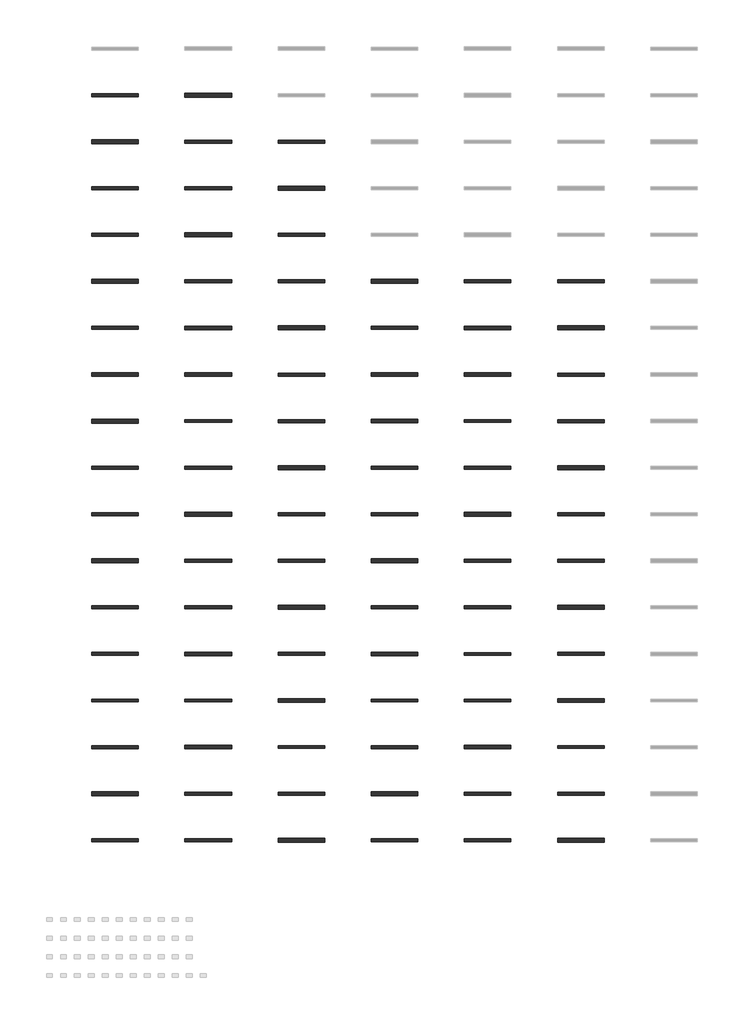
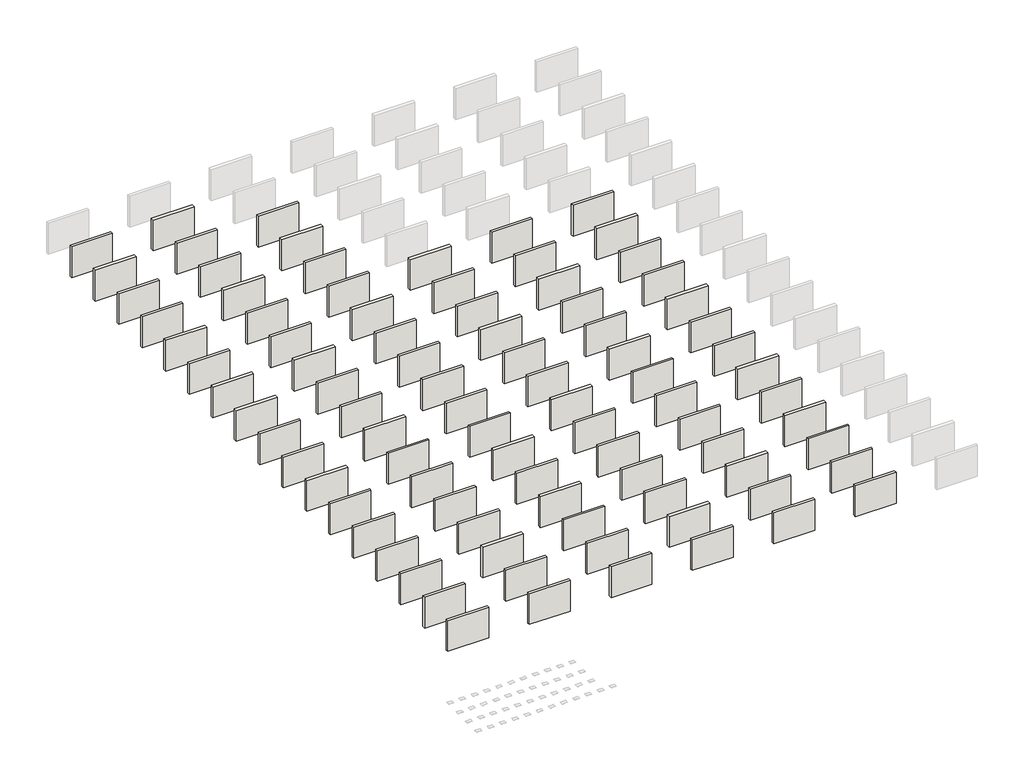
# One storey, part 1 of 3: 89 walls.
"""IFC4 building model written with IfcOpenShell, lengths in millimetres."""

from ifc_helpers import new_model, si_unit, frame, origin, place, context, project, spatial, polyline, outline, extrude, element, save

model = new_model("IFC4")

# Units and contexts
model_context = context("Model", 3, world=origin())
ifc_project = project(units=[si_unit("LENGTHUNIT", "METRE", prefix="MILLI")], contexts=[model_context])

# Site, building, storey
site = spatial("IfcSite", under=ifc_project)
building = spatial("IfcBuilding", under=site)
storey = spatial("IfcBuildingStorey", under=building, Elevation=3048.0)

# Walls
placement = place(None, origin())
element("IfcWall", 1, at=placement, inside=storey, context=model_context, shape_type="SweptSolid", body=[
    extrude(outline(polyline([(-29485.7977715, -38058.8693116), (-32533.7977715, -38058.8693116), (-32533.7977715, -37852.4435103), (-29485.7977715, -37852.4435103), (-29485.7977715, -38058.8693116)])), frame((0.0, 0.0, 3048.0), z_axis=(0.0, 0.0, 1.0), x_axis=(1.0, 0.0, 0.0)), (0.0, 0.0, 1.0), 2438.4),
])
element("IfcWall", 2, at=placement, inside=storey, context=model_context, shape_type="SweptSolid", body=[
    extrude(outline(polyline([(-23389.7977715, -38084.2693147), (-26437.7977715, -38084.2693147), (-26437.7977715, -37827.0435073), (-23389.7977715, -37827.0435073), (-23389.7977715, -38084.2693147)])), frame((0.0, 0.0, 3048.0), z_axis=(0.0, 0.0, 1.0), x_axis=(1.0, 0.0, 0.0)), (0.0, 0.0, 1.0), 2438.4),
])
element("IfcWall", 3, at=placement, inside=storey, context=model_context, shape_type="SweptSolid", body=[
    extrude(outline(polyline([(-17293.7977715, -41106.8693116), (-20341.7977715, -41106.8693116), (-20341.7977715, -40900.4435103), (-17293.7977715, -40900.4435103), (-17293.7977715, -41106.8693116)])), frame((0.0, 0.0, 3048.0), z_axis=(0.0, 0.0, 1.0), x_axis=(1.0, 0.0, 0.0)), (0.0, 0.0, 1.0), 2438.4),
])
element("IfcWall", 4, at=placement, inside=storey, context=model_context, shape_type="SweptSolid", body=[
    extrude(outline(polyline([(-29485.7977715, -41132.2693147), (-32533.7977715, -41132.2693147), (-32533.7977715, -40875.0435073), (-29485.7977715, -40875.0435073), (-29485.7977715, -41132.2693147)])), frame((0.0, 0.0, 3048.0), z_axis=(0.0, 0.0, 1.0), x_axis=(1.0, 0.0, 0.0)), (0.0, 0.0, 1.0), 2438.4),
])
element("IfcWall", 5, at=placement, inside=storey, context=model_context, shape_type="SweptSolid", body=[
    extrude(outline(polyline([(-23389.7977715, -41102.1068116), (-26437.7977715, -41102.1068116), (-26437.7977715, -40905.2060103), (-23389.7977715, -40905.2060103), (-23389.7977715, -41102.1068116)])), frame((0.0, 0.0, 3048.0), z_axis=(0.0, 0.0, 1.0), x_axis=(1.0, 0.0, 0.0)), (0.0, 0.0, 1.0), 2438.4),
])
element("IfcWall", 6, at=placement, inside=storey, context=model_context, shape_type="SweptSolid", body=[
    extrude(outline(polyline([(-17293.7977715, -44180.2693147), (-20341.7977715, -44180.2693147), (-20341.7977715, -43923.0435073), (-17293.7977715, -43923.0435073), (-17293.7977715, -44180.2693147)])), frame((0.0, 0.0, 3048.0), z_axis=(0.0, 0.0, 1.0), x_axis=(1.0, 0.0, 0.0)), (0.0, 0.0, 1.0), 2438.4),
])
element("IfcWall", 7, at=placement, inside=storey, context=model_context, shape_type="SweptSolid", body=[
    extrude(outline(polyline([(-29485.7977715, -44150.1068116), (-32533.7977715, -44150.1068116), (-32533.7977715, -43953.2060103), (-29485.7977715, -43953.2060103), (-29485.7977715, -44150.1068116)])), frame((0.0, 0.0, 3048.0), z_axis=(0.0, 0.0, 1.0), x_axis=(1.0, 0.0, 0.0)), (0.0, 0.0, 1.0), 2438.4),
])
element("IfcWall", 8, at=placement, inside=storey, context=model_context, shape_type="SweptSolid", body=[
    extrude(outline(polyline([(-23389.7977715, -44154.8693116), (-26437.7977715, -44154.8693116), (-26437.7977715, -43948.4435103), (-23389.7977715, -43948.4435103), (-23389.7977715, -44154.8693116)])), frame((0.0, 0.0, 3048.0), z_axis=(0.0, 0.0, 1.0), x_axis=(1.0, 0.0, 0.0)), (0.0, 0.0, 1.0), 2438.4),
])
element("IfcWall", 9, at=placement, inside=storey, context=model_context, shape_type="SweptSolid", body=[
    extrude(outline(polyline([(-17293.7977715, -47198.1068116), (-20341.7977715, -47198.1068116), (-20341.7977715, -47001.2060103), (-17293.7977715, -47001.2060103), (-17293.7977715, -47198.1068116)])), frame((0.0, 0.0, 3048.0), z_axis=(0.0, 0.0, 1.0), x_axis=(1.0, 0.0, 0.0)), (0.0, 0.0, 1.0), 2438.4),
])
element("IfcWall", 10, at=placement, inside=storey, context=model_context, shape_type="SweptSolid", body=[
    extrude(outline(polyline([(-29485.7977715, -47202.8693116), (-32533.7977715, -47202.8693116), (-32533.7977715, -46996.4435103), (-29485.7977715, -46996.4435103), (-29485.7977715, -47202.8693116)])), frame((0.0, 0.0, 3048.0), z_axis=(0.0, 0.0, 1.0), x_axis=(1.0, 0.0, 0.0)), (0.0, 0.0, 1.0), 2438.4),
])
element("IfcWall", 11, at=placement, inside=storey, context=model_context, shape_type="SweptSolid", body=[
    extrude(outline(polyline([(-23389.7977715, -47228.2693147), (-26437.7977715, -47228.2693147), (-26437.7977715, -46971.0435073), (-23389.7977715, -46971.0435073), (-23389.7977715, -47228.2693147)])), frame((0.0, 0.0, 3048.0), z_axis=(0.0, 0.0, 1.0), x_axis=(1.0, 0.0, 0.0)), (0.0, 0.0, 1.0), 2438.4),
])
element("IfcWall", 12, at=placement, inside=storey, context=model_context, shape_type="SweptSolid", body=[
    extrude(outline(polyline([(-17293.7977715, -50250.8693116), (-20341.7977715, -50250.8693116), (-20341.7977715, -50044.4435103), (-17293.7977715, -50044.4435103), (-17293.7977715, -50250.8693116)])), frame((0.0, 0.0, 3048.0), z_axis=(0.0, 0.0, 1.0), x_axis=(1.0, 0.0, 0.0)), (0.0, 0.0, 1.0), 2438.4),
])
element("IfcWall", 13, at=placement, inside=storey, context=model_context, shape_type="SweptSolid", body=[
    extrude(outline(polyline([(-11197.7977715, -50276.2693147), (-14245.7977715, -50276.2693147), (-14245.7977715, -50019.0435073), (-11197.7977715, -50019.0435073), (-11197.7977715, -50276.2693147)])), frame((0.0, 0.0, 3048.0), z_axis=(0.0, 0.0, 1.0), x_axis=(1.0, 0.0, 0.0)), (0.0, 0.0, 1.0), 2438.4),
])
element("IfcWall", 14, at=placement, inside=storey, context=model_context, shape_type="SweptSolid", body=[
    extrude(outline(polyline([(-5101.7977715, -50246.1068116), (-8149.7977715, -50246.1068116), (-8149.7977715, -50049.2060103), (-5101.7977715, -50049.2060103), (-5101.7977715, -50246.1068116)])), frame((0.0, 0.0, 3048.0), z_axis=(0.0, 0.0, 1.0), x_axis=(1.0, 0.0, 0.0)), (0.0, 0.0, 1.0), 2438.4),
])
element("IfcWall", 15, at=placement, inside=storey, context=model_context, shape_type="SweptSolid", body=[
    extrude(outline(polyline([(994.2022285, -50250.8693116), (-2053.7977715, -50250.8693116), (-2053.7977715, -50044.4435103), (994.2022285, -50044.4435103), (994.2022285, -50250.8693116)])), frame((0.0, 0.0, 3048.0), z_axis=(0.0, 0.0, 1.0), x_axis=(1.0, 0.0, 0.0)), (0.0, 0.0, 1.0), 2438.4),
])
element("IfcWall", 16, at=placement, inside=storey, context=model_context, shape_type="SweptSolid", body=[
    extrude(outline(polyline([(-29485.7977715, -50276.2693147), (-32533.7977715, -50276.2693147), (-32533.7977715, -50019.0435073), (-29485.7977715, -50019.0435073), (-29485.7977715, -50276.2693147)])), frame((0.0, 0.0, 3048.0), z_axis=(0.0, 0.0, 1.0), x_axis=(1.0, 0.0, 0.0)), (0.0, 0.0, 1.0), 2438.4),
])
element("IfcWall", 17, at=placement, inside=storey, context=model_context, shape_type="SweptSolid", body=[
    extrude(outline(polyline([(-23389.7977715, -50246.1068116), (-26437.7977715, -50246.1068116), (-26437.7977715, -50049.2060103), (-23389.7977715, -50049.2060103), (-23389.7977715, -50246.1068116)])), frame((0.0, 0.0, 3048.0), z_axis=(0.0, 0.0, 1.0), x_axis=(1.0, 0.0, 0.0)), (0.0, 0.0, 1.0), 2438.4),
])
element("IfcWall", 18, at=placement, inside=storey, context=model_context, shape_type="SweptSolid", body=[
    extrude(outline(polyline([(-17293.7977715, -53324.2693147), (-20341.7977715, -53324.2693147), (-20341.7977715, -53067.0435073), (-17293.7977715, -53067.0435073), (-17293.7977715, -53324.2693147)])), frame((0.0, 0.0, 3048.0), z_axis=(0.0, 0.0, 1.0), x_axis=(1.0, 0.0, 0.0)), (0.0, 0.0, 1.0), 2438.4),
])
element("IfcWall", 19, at=placement, inside=storey, context=model_context, shape_type="SweptSolid", body=[
    extrude(outline(polyline([(-11197.7977715, -53294.1068116), (-14245.7977715, -53294.1068116), (-14245.7977715, -53097.2060103), (-11197.7977715, -53097.2060103), (-11197.7977715, -53294.1068116)])), frame((0.0, 0.0, 3048.0), z_axis=(0.0, 0.0, 1.0), x_axis=(1.0, 0.0, 0.0)), (0.0, 0.0, 1.0), 2438.4),
])
element("IfcWall", 20, at=placement, inside=storey, context=model_context, shape_type="SweptSolid", body=[
    extrude(outline(polyline([(-5101.7977715, -53298.8693116), (-8149.7977715, -53298.8693116), (-8149.7977715, -53092.4435103), (-5101.7977715, -53092.4435103), (-5101.7977715, -53298.8693116)])), frame((0.0, 0.0, 3048.0), z_axis=(0.0, 0.0, 1.0), x_axis=(1.0, 0.0, 0.0)), (0.0, 0.0, 1.0), 2438.4),
])
element("IfcWall", 21, at=placement, inside=storey, context=model_context, shape_type="SweptSolid", body=[
    extrude(outline(polyline([(994.2022285, -53324.2693147), (-2053.7977715, -53324.2693147), (-2053.7977715, -53067.0435073), (994.2022285, -53067.0435073), (994.2022285, -53324.2693147)])), frame((0.0, 0.0, 3048.0), z_axis=(0.0, 0.0, 1.0), x_axis=(1.0, 0.0, 0.0)), (0.0, 0.0, 1.0), 2438.4),
])
element("IfcWall", 22, at=placement, inside=storey, context=model_context, shape_type="SweptSolid", body=[
    extrude(outline(polyline([(-29485.7977715, -53294.1068116), (-32533.7977715, -53294.1068116), (-32533.7977715, -53097.2060103), (-29485.7977715, -53097.2060103), (-29485.7977715, -53294.1068116)])), frame((0.0, 0.0, 3048.0), z_axis=(0.0, 0.0, 1.0), x_axis=(1.0, 0.0, 0.0)), (0.0, 0.0, 1.0), 2438.4),
])
element("IfcWall", 23, at=placement, inside=storey, context=model_context, shape_type="SweptSolid", body=[
    extrude(outline(polyline([(-23389.7977715, -53298.8693116), (-26437.7977715, -53298.8693116), (-26437.7977715, -53092.4435103), (-23389.7977715, -53092.4435103), (-23389.7977715, -53298.8693116)])), frame((0.0, 0.0, 3048.0), z_axis=(0.0, 0.0, 1.0), x_axis=(1.0, 0.0, 0.0)), (0.0, 0.0, 1.0), 2438.4),
])
element("IfcWall", 24, at=placement, inside=storey, context=model_context, shape_type="SweptSolid", body=[
    extrude(outline(polyline([(-17293.7977715, -56342.1068116), (-20341.7977715, -56342.1068116), (-20341.7977715, -56145.2060103), (-17293.7977715, -56145.2060103), (-17293.7977715, -56342.1068116)])), frame((0.0, 0.0, 3048.0), z_axis=(0.0, 0.0, 1.0), x_axis=(1.0, 0.0, 0.0)), (0.0, 0.0, 1.0), 2438.4),
])
element("IfcWall", 25, at=placement, inside=storey, context=model_context, shape_type="SweptSolid", body=[
    extrude(outline(polyline([(-11197.7977715, -56346.8693116), (-14245.7977715, -56346.8693116), (-14245.7977715, -56140.4435103), (-11197.7977715, -56140.4435103), (-11197.7977715, -56346.8693116)])), frame((0.0, 0.0, 3048.0), z_axis=(0.0, 0.0, 1.0), x_axis=(1.0, 0.0, 0.0)), (0.0, 0.0, 1.0), 2438.4),
])
element("IfcWall", 26, at=placement, inside=storey, context=model_context, shape_type="SweptSolid", body=[
    extrude(outline(polyline([(-5101.7977715, -56372.2693147), (-8149.7977715, -56372.2693147), (-8149.7977715, -56115.0435073), (-5101.7977715, -56115.0435073), (-5101.7977715, -56372.2693147)])), frame((0.0, 0.0, 3048.0), z_axis=(0.0, 0.0, 1.0), x_axis=(1.0, 0.0, 0.0)), (0.0, 0.0, 1.0), 2438.4),
])
element("IfcWall", 27, at=placement, inside=storey, context=model_context, shape_type="SweptSolid", body=[
    extrude(outline(polyline([(994.2022285, -56342.1068116), (-2053.7977715, -56342.1068116), (-2053.7977715, -56145.2060103), (994.2022285, -56145.2060103), (994.2022285, -56342.1068116)])), frame((0.0, 0.0, 3048.0), z_axis=(0.0, 0.0, 1.0), x_axis=(1.0, 0.0, 0.0)), (0.0, 0.0, 1.0), 2438.4),
])
element("IfcWall", 28, at=placement, inside=storey, context=model_context, shape_type="SweptSolid", body=[
    extrude(outline(polyline([(-29485.7977715, -56346.8693116), (-32533.7977715, -56346.8693116), (-32533.7977715, -56140.4435103), (-29485.7977715, -56140.4435103), (-29485.7977715, -56346.8693116)])), frame((0.0, 0.0, 3048.0), z_axis=(0.0, 0.0, 1.0), x_axis=(1.0, 0.0, 0.0)), (0.0, 0.0, 1.0), 2438.4),
])
element("IfcWall", 29, at=placement, inside=storey, context=model_context, shape_type="SweptSolid", body=[
    extrude(outline(polyline([(-23389.7977715, -56372.2693147), (-26437.7977715, -56372.2693147), (-26437.7977715, -56115.0435073), (-23389.7977715, -56115.0435073), (-23389.7977715, -56372.2693147)])), frame((0.0, 0.0, 3048.0), z_axis=(0.0, 0.0, 1.0), x_axis=(1.0, 0.0, 0.0)), (0.0, 0.0, 1.0), 2438.4),
])
element("IfcWall", 30, at=placement, inside=storey, context=model_context, shape_type="SweptSolid", body=[
    extrude(outline(polyline([(-17293.7977715, -59388.4939116), (-20341.7977715, -59388.4939116), (-20341.7977715, -59194.8189104), (-17293.7977715, -59194.8189104), (-17293.7977715, -59388.4939116)])), frame((0.0, 0.0, 3048.0), z_axis=(0.0, 0.0, 1.0), x_axis=(1.0, 0.0, 0.0)), (0.0, 0.0, 1.0), 2438.4),
])
element("IfcWall", 31, at=placement, inside=storey, context=model_context, shape_type="SweptSolid", body=[
    extrude(outline(polyline([(-11197.7977715, -59413.8939146), (-14245.7977715, -59413.8939146), (-14245.7977715, -59169.4189073), (-11197.7977715, -59169.4189073), (-11197.7977715, -59413.8939146)])), frame((0.0, 0.0, 3048.0), z_axis=(0.0, 0.0, 1.0), x_axis=(1.0, 0.0, 0.0)), (0.0, 0.0, 1.0), 2438.4),
])
element("IfcWall", 32, at=placement, inside=storey, context=model_context, shape_type="SweptSolid", body=[
    extrude(outline(polyline([(-5101.7977715, -59383.7314116), (-8149.7977715, -59383.7314116), (-8149.7977715, -59199.5814104), (-5101.7977715, -59199.5814104), (-5101.7977715, -59383.7314116)])), frame((0.0, 0.0, 3048.0), z_axis=(0.0, 0.0, 1.0), x_axis=(1.0, 0.0, 0.0)), (0.0, 0.0, 1.0), 2438.4),
])
element("IfcWall", 33, at=placement, inside=storey, context=model_context, shape_type="SweptSolid", body=[
    extrude(outline(polyline([(994.2022285, -59388.4939116), (-2053.7977715, -59388.4939116), (-2053.7977715, -59194.8189104), (994.2022285, -59194.8189104), (994.2022285, -59388.4939116)])), frame((0.0, 0.0, 3048.0), z_axis=(0.0, 0.0, 1.0), x_axis=(1.0, 0.0, 0.0)), (0.0, 0.0, 1.0), 2438.4),
])
element("IfcWall", 34, at=placement, inside=storey, context=model_context, shape_type="SweptSolid", body=[
    extrude(outline(polyline([(-29485.7977715, -59420.2693147), (-32533.7977715, -59420.2693147), (-32533.7977715, -59163.0435073), (-29485.7977715, -59163.0435073), (-29485.7977715, -59420.2693147)])), frame((0.0, 0.0, 3048.0), z_axis=(0.0, 0.0, 1.0), x_axis=(1.0, 0.0, 0.0)), (0.0, 0.0, 1.0), 2438.4),
])
element("IfcWall", 35, at=placement, inside=storey, context=model_context, shape_type="SweptSolid", body=[
    extrude(outline(polyline([(-23389.7977715, -59383.7314116), (-26437.7977715, -59383.7314116), (-26437.7977715, -59199.5814104), (-23389.7977715, -59199.5814104), (-23389.7977715, -59383.7314116)])), frame((0.0, 0.0, 3048.0), z_axis=(0.0, 0.0, 1.0), x_axis=(1.0, 0.0, 0.0)), (0.0, 0.0, 1.0), 2438.4),
])
element("IfcWall", 36, at=placement, inside=storey, context=model_context, shape_type="SweptSolid", body=[
    extrude(outline(polyline([(-17293.7977715, -62461.8939146), (-20341.7977715, -62461.8939146), (-20341.7977715, -62217.4189073), (-17293.7977715, -62217.4189073), (-17293.7977715, -62461.8939146)])), frame((0.0, 0.0, 3048.0), z_axis=(0.0, 0.0, 1.0), x_axis=(1.0, 0.0, 0.0)), (0.0, 0.0, 1.0), 2438.4),
])
element("IfcWall", 37, at=placement, inside=storey, context=model_context, shape_type="SweptSolid", body=[
    extrude(outline(polyline([(-11197.7977715, -62431.7314116), (-14245.7977715, -62431.7314116), (-14245.7977715, -62247.5814104), (-11197.7977715, -62247.5814104), (-11197.7977715, -62431.7314116)])), frame((0.0, 0.0, 3048.0), z_axis=(0.0, 0.0, 1.0), x_axis=(1.0, 0.0, 0.0)), (0.0, 0.0, 1.0), 2438.4),
])
element("IfcWall", 38, at=placement, inside=storey, context=model_context, shape_type="SweptSolid", body=[
    extrude(outline(polyline([(-5101.7977715, -62436.4939116), (-8149.7977715, -62436.4939116), (-8149.7977715, -62242.8189104), (-5101.7977715, -62242.8189104), (-5101.7977715, -62436.4939116)])), frame((0.0, 0.0, 3048.0), z_axis=(0.0, 0.0, 1.0), x_axis=(1.0, 0.0, 0.0)), (0.0, 0.0, 1.0), 2438.4),
])
element("IfcWall", 39, at=placement, inside=storey, context=model_context, shape_type="SweptSolid", body=[
    extrude(outline(polyline([(994.2022285, -62461.8939146), (-2053.7977715, -62461.8939146), (-2053.7977715, -62217.4189073), (994.2022285, -62217.4189073), (994.2022285, -62461.8939146)])), frame((0.0, 0.0, 3048.0), z_axis=(0.0, 0.0, 1.0), x_axis=(1.0, 0.0, 0.0)), (0.0, 0.0, 1.0), 2438.4),
])
element("IfcWall", 40, at=placement, inside=storey, context=model_context, shape_type="SweptSolid", body=[
    extrude(outline(polyline([(-29485.7977715, -62431.7314116), (-32533.7977715, -62431.7314116), (-32533.7977715, -62247.5814104), (-29485.7977715, -62247.5814104), (-29485.7977715, -62431.7314116)])), frame((0.0, 0.0, 3048.0), z_axis=(0.0, 0.0, 1.0), x_axis=(1.0, 0.0, 0.0)), (0.0, 0.0, 1.0), 2438.4),
])
element("IfcWall", 41, at=placement, inside=storey, context=model_context, shape_type="SweptSolid", body=[
    extrude(outline(polyline([(-23389.7977715, -62436.4939116), (-26437.7977715, -62436.4939116), (-26437.7977715, -62242.8189104), (-23389.7977715, -62242.8189104), (-23389.7977715, -62436.4939116)])), frame((0.0, 0.0, 3048.0), z_axis=(0.0, 0.0, 1.0), x_axis=(1.0, 0.0, 0.0)), (0.0, 0.0, 1.0), 2438.4),
])
element("IfcWall", 42, at=placement, inside=storey, context=model_context, shape_type="SweptSolid", body=[
    extrude(outline(polyline([(-17293.7977715, -65479.7314116), (-20341.7977715, -65479.7314116), (-20341.7977715, -65295.5814104), (-17293.7977715, -65295.5814104), (-17293.7977715, -65479.7314116)])), frame((0.0, 0.0, 3048.0), z_axis=(0.0, 0.0, 1.0), x_axis=(1.0, 0.0, 0.0)), (0.0, 0.0, 1.0), 2438.4),
])
element("IfcWall", 43, at=placement, inside=storey, context=model_context, shape_type="SweptSolid", body=[
    extrude(outline(polyline([(-11197.7977715, -65484.4939116), (-14245.7977715, -65484.4939116), (-14245.7977715, -65290.8189104), (-11197.7977715, -65290.8189104), (-11197.7977715, -65484.4939116)])), frame((0.0, 0.0, 3048.0), z_axis=(0.0, 0.0, 1.0), x_axis=(1.0, 0.0, 0.0)), (0.0, 0.0, 1.0), 2438.4),
])
element("IfcWall", 44, at=placement, inside=storey, context=model_context, shape_type="SweptSolid", body=[
    extrude(outline(polyline([(-5101.7977715, -65509.8939146), (-8149.7977715, -65509.8939146), (-8149.7977715, -65265.4189073), (-5101.7977715, -65265.4189073), (-5101.7977715, -65509.8939146)])), frame((0.0, 0.0, 3048.0), z_axis=(0.0, 0.0, 1.0), x_axis=(1.0, 0.0, 0.0)), (0.0, 0.0, 1.0), 2438.4),
])
element("IfcWall", 45, at=placement, inside=storey, context=model_context, shape_type="SweptSolid", body=[
    extrude(outline(polyline([(994.2022285, -65479.7314116), (-2053.7977715, -65479.7314116), (-2053.7977715, -65295.5814104), (994.2022285, -65295.5814104), (994.2022285, -65479.7314116)])), frame((0.0, 0.0, 3048.0), z_axis=(0.0, 0.0, 1.0), x_axis=(1.0, 0.0, 0.0)), (0.0, 0.0, 1.0), 2438.4),
])
element("IfcWall", 46, at=placement, inside=storey, context=model_context, shape_type="SweptSolid", body=[
    extrude(outline(polyline([(-29485.7977715, -65484.4939116), (-32533.7977715, -65484.4939116), (-32533.7977715, -65290.8189104), (-29485.7977715, -65290.8189104), (-29485.7977715, -65484.4939116)])), frame((0.0, 0.0, 3048.0), z_axis=(0.0, 0.0, 1.0), x_axis=(1.0, 0.0, 0.0)), (0.0, 0.0, 1.0), 2438.4),
])
element("IfcWall", 47, at=placement, inside=storey, context=model_context, shape_type="SweptSolid", body=[
    extrude(outline(polyline([(-23389.7977715, -65509.8939146), (-26437.7977715, -65509.8939146), (-26437.7977715, -65265.4189073), (-23389.7977715, -65265.4189073), (-23389.7977715, -65509.8939146)])), frame((0.0, 0.0, 3048.0), z_axis=(0.0, 0.0, 1.0), x_axis=(1.0, 0.0, 0.0)), (0.0, 0.0, 1.0), 2438.4),
])
element("IfcWall", 48, at=placement, inside=storey, context=model_context, shape_type="SweptSolid", body=[
    extrude(outline(polyline([(-17293.7977715, -68532.4939116), (-20341.7977715, -68532.4939116), (-20341.7977715, -68338.8189104), (-17293.7977715, -68338.8189104), (-17293.7977715, -68532.4939116)])), frame((0.0, 0.0, 3048.0), z_axis=(0.0, 0.0, 1.0), x_axis=(1.0, 0.0, 0.0)), (0.0, 0.0, 1.0), 2438.4),
])
element("IfcWall", 49, at=placement, inside=storey, context=model_context, shape_type="SweptSolid", body=[
    extrude(outline(polyline([(-11197.7977715, -68557.8939146), (-14245.7977715, -68557.8939146), (-14245.7977715, -68313.4189073), (-11197.7977715, -68313.4189073), (-11197.7977715, -68557.8939146)])), frame((0.0, 0.0, 3048.0), z_axis=(0.0, 0.0, 1.0), x_axis=(1.0, 0.0, 0.0)), (0.0, 0.0, 1.0), 2438.4),
])
element("IfcWall", 50, at=placement, inside=storey, context=model_context, shape_type="SweptSolid", body=[
    extrude(outline(polyline([(-5101.7977715, -68527.7314116), (-8149.7977715, -68527.7314116), (-8149.7977715, -68343.5814104), (-5101.7977715, -68343.5814104), (-5101.7977715, -68527.7314116)])), frame((0.0, 0.0, 3048.0), z_axis=(0.0, 0.0, 1.0), x_axis=(1.0, 0.0, 0.0)), (0.0, 0.0, 1.0), 2438.4),
])
element("IfcWall", 51, at=placement, inside=storey, context=model_context, shape_type="SweptSolid", body=[
    extrude(outline(polyline([(994.2022285, -68532.4939116), (-2053.7977715, -68532.4939116), (-2053.7977715, -68338.8189104), (994.2022285, -68338.8189104), (994.2022285, -68532.4939116)])), frame((0.0, 0.0, 3048.0), z_axis=(0.0, 0.0, 1.0), x_axis=(1.0, 0.0, 0.0)), (0.0, 0.0, 1.0), 2438.4),
])
element("IfcWall", 52, at=placement, inside=storey, context=model_context, shape_type="SweptSolid", body=[
    extrude(outline(polyline([(-29485.7977715, -68557.8939146), (-32533.7977715, -68557.8939146), (-32533.7977715, -68313.4189073), (-29485.7977715, -68313.4189073), (-29485.7977715, -68557.8939146)])), frame((0.0, 0.0, 3048.0), z_axis=(0.0, 0.0, 1.0), x_axis=(1.0, 0.0, 0.0)), (0.0, 0.0, 1.0), 2438.4),
])
element("IfcWall", 53, at=placement, inside=storey, context=model_context, shape_type="SweptSolid", body=[
    extrude(outline(polyline([(-23389.7977715, -68527.7314116), (-26437.7977715, -68527.7314116), (-26437.7977715, -68343.5814104), (-23389.7977715, -68343.5814104), (-23389.7977715, -68527.7314116)])), frame((0.0, 0.0, 3048.0), z_axis=(0.0, 0.0, 1.0), x_axis=(1.0, 0.0, 0.0)), (0.0, 0.0, 1.0), 2438.4),
])
element("IfcWall", 54, at=placement, inside=storey, context=model_context, shape_type="SweptSolid", body=[
    extrude(outline(polyline([(-17293.7977715, -71605.8939146), (-20341.7977715, -71605.8939146), (-20341.7977715, -71361.4189073), (-17293.7977715, -71361.4189073), (-17293.7977715, -71605.8939146)])), frame((0.0, 0.0, 3048.0), z_axis=(0.0, 0.0, 1.0), x_axis=(1.0, 0.0, 0.0)), (0.0, 0.0, 1.0), 2438.4),
])
element("IfcWall", 55, at=placement, inside=storey, context=model_context, shape_type="SweptSolid", body=[
    extrude(outline(polyline([(-11197.7977715, -71575.7314116), (-14245.7977715, -71575.7314116), (-14245.7977715, -71391.5814104), (-11197.7977715, -71391.5814104), (-11197.7977715, -71575.7314116)])), frame((0.0, 0.0, 3048.0), z_axis=(0.0, 0.0, 1.0), x_axis=(1.0, 0.0, 0.0)), (0.0, 0.0, 1.0), 2438.4),
])
element("IfcWall", 56, at=placement, inside=storey, context=model_context, shape_type="SweptSolid", body=[
    extrude(outline(polyline([(-5101.7977715, -71580.4939116), (-8149.7977715, -71580.4939116), (-8149.7977715, -71386.8189104), (-5101.7977715, -71386.8189104), (-5101.7977715, -71580.4939116)])), frame((0.0, 0.0, 3048.0), z_axis=(0.0, 0.0, 1.0), x_axis=(1.0, 0.0, 0.0)), (0.0, 0.0, 1.0), 2438.4),
])
element("IfcWall", 57, at=placement, inside=storey, context=model_context, shape_type="SweptSolid", body=[
    extrude(outline(polyline([(994.2022285, -71605.8939146), (-2053.7977715, -71605.8939146), (-2053.7977715, -71361.4189073), (994.2022285, -71361.4189073), (994.2022285, -71605.8939146)])), frame((0.0, 0.0, 3048.0), z_axis=(0.0, 0.0, 1.0), x_axis=(1.0, 0.0, 0.0)), (0.0, 0.0, 1.0), 2438.4),
])
element("IfcWall", 58, at=placement, inside=storey, context=model_context, shape_type="SweptSolid", body=[
    extrude(outline(polyline([(-29485.7977715, -71575.7314116), (-32533.7977715, -71575.7314116), (-32533.7977715, -71391.5814104), (-29485.7977715, -71391.5814104), (-29485.7977715, -71575.7314116)])), frame((0.0, 0.0, 3048.0), z_axis=(0.0, 0.0, 1.0), x_axis=(1.0, 0.0, 0.0)), (0.0, 0.0, 1.0), 2438.4),
])
element("IfcWall", 59, at=placement, inside=storey, context=model_context, shape_type="SweptSolid", body=[
    extrude(outline(polyline([(-23389.7977715, -71580.4939116), (-26437.7977715, -71580.4939116), (-26437.7977715, -71386.8189104), (-23389.7977715, -71386.8189104), (-23389.7977715, -71580.4939116)])), frame((0.0, 0.0, 3048.0), z_axis=(0.0, 0.0, 1.0), x_axis=(1.0, 0.0, 0.0)), (0.0, 0.0, 1.0), 2438.4),
])
element("IfcWall", 60, at=placement, inside=storey, context=model_context, shape_type="SweptSolid", body=[
    extrude(outline(polyline([(-17293.7977715, -74628.4939116), (-20341.7977715, -74628.4939116), (-20341.7977715, -74434.8189104), (-17293.7977715, -74434.8189104), (-17293.7977715, -74628.4939116)])), frame((0.0, 0.0, 3048.0), z_axis=(0.0, 0.0, 1.0), x_axis=(1.0, 0.0, 0.0)), (0.0, 0.0, 1.0), 2438.4),
])
element("IfcWall", 61, at=placement, inside=storey, context=model_context, shape_type="SweptSolid", body=[
    extrude(outline(polyline([(-11197.7977715, -74653.8939146), (-14245.7977715, -74653.8939146), (-14245.7977715, -74409.4189073), (-11197.7977715, -74409.4189073), (-11197.7977715, -74653.8939146)])), frame((0.0, 0.0, 3048.0), z_axis=(0.0, 0.0, 1.0), x_axis=(1.0, 0.0, 0.0)), (0.0, 0.0, 1.0), 2438.4),
])
element("IfcWall", 62, at=placement, inside=storey, context=model_context, shape_type="SweptSolid", body=[
    extrude(outline(polyline([(-5101.7977715, -74623.7314116), (-8149.7977715, -74623.7314116), (-8149.7977715, -74439.5814104), (-5101.7977715, -74439.5814104), (-5101.7977715, -74623.7314116)])), frame((0.0, 0.0, 3048.0), z_axis=(0.0, 0.0, 1.0), x_axis=(1.0, 0.0, 0.0)), (0.0, 0.0, 1.0), 2438.4),
])
element("IfcWall", 63, at=placement, inside=storey, context=model_context, shape_type="SweptSolid", body=[
    extrude(outline(polyline([(994.2022285, -74628.4939116), (-2053.7977715, -74628.4939116), (-2053.7977715, -74434.8189104), (994.2022285, -74434.8189104), (994.2022285, -74628.4939116)])), frame((0.0, 0.0, 3048.0), z_axis=(0.0, 0.0, 1.0), x_axis=(1.0, 0.0, 0.0)), (0.0, 0.0, 1.0), 2438.4),
])
element("IfcWall", 64, at=placement, inside=storey, context=model_context, shape_type="SweptSolid", body=[
    extrude(outline(polyline([(-29485.7977715, -74628.4939116), (-32533.7977715, -74628.4939116), (-32533.7977715, -74434.8189104), (-29485.7977715, -74434.8189104), (-29485.7977715, -74628.4939116)])), frame((0.0, 0.0, 3048.0), z_axis=(0.0, 0.0, 1.0), x_axis=(1.0, 0.0, 0.0)), (0.0, 0.0, 1.0), 2438.4),
])
element("IfcWall", 65, at=placement, inside=storey, context=model_context, shape_type="SweptSolid", body=[
    extrude(outline(polyline([(-23389.7977715, -74653.8939146), (-26437.7977715, -74653.8939146), (-26437.7977715, -74409.4189073), (-23389.7977715, -74409.4189073), (-23389.7977715, -74653.8939146)])), frame((0.0, 0.0, 3048.0), z_axis=(0.0, 0.0, 1.0), x_axis=(1.0, 0.0, 0.0)), (0.0, 0.0, 1.0), 2438.4),
])
element("IfcWall", 66, at=placement, inside=storey, context=model_context, shape_type="SweptSolid", body=[
    extrude(outline(polyline([(-17293.7977715, -77701.8939146), (-20341.7977715, -77701.8939146), (-20341.7977715, -77457.4189073), (-17293.7977715, -77457.4189073), (-17293.7977715, -77701.8939146)])), frame((0.0, 0.0, 3048.0), z_axis=(0.0, 0.0, 1.0), x_axis=(1.0, 0.0, 0.0)), (0.0, 0.0, 1.0), 2438.4),
])
element("IfcWall", 67, at=placement, inside=storey, context=model_context, shape_type="SweptSolid", body=[
    extrude(outline(polyline([(-11197.7977715, -77671.7314116), (-14245.7977715, -77671.7314116), (-14245.7977715, -77487.5814104), (-11197.7977715, -77487.5814104), (-11197.7977715, -77671.7314116)])), frame((0.0, 0.0, 3048.0), z_axis=(0.0, 0.0, 1.0), x_axis=(1.0, 0.0, 0.0)), (0.0, 0.0, 1.0), 2438.4),
])
element("IfcWall", 68, at=placement, inside=storey, context=model_context, shape_type="SweptSolid", body=[
    extrude(outline(polyline([(-5101.7977715, -77676.4939116), (-8149.7977715, -77676.4939116), (-8149.7977715, -77482.8189104), (-5101.7977715, -77482.8189104), (-5101.7977715, -77676.4939116)])), frame((0.0, 0.0, 3048.0), z_axis=(0.0, 0.0, 1.0), x_axis=(1.0, 0.0, 0.0)), (0.0, 0.0, 1.0), 2438.4),
])
element("IfcWall", 69, at=placement, inside=storey, context=model_context, shape_type="SweptSolid", body=[
    extrude(outline(polyline([(994.2022285, -77701.8939146), (-2053.7977715, -77701.8939146), (-2053.7977715, -77457.4189073), (994.2022285, -77457.4189073), (994.2022285, -77701.8939146)])), frame((0.0, 0.0, 3048.0), z_axis=(0.0, 0.0, 1.0), x_axis=(1.0, 0.0, 0.0)), (0.0, 0.0, 1.0), 2438.4),
])
element("IfcWall", 70, at=placement, inside=storey, context=model_context, shape_type="SweptSolid", body=[
    extrude(outline(polyline([(-29485.7977715, -77671.7314116), (-32533.7977715, -77671.7314116), (-32533.7977715, -77487.5814104), (-29485.7977715, -77487.5814104), (-29485.7977715, -77671.7314116)])), frame((0.0, 0.0, 3048.0), z_axis=(0.0, 0.0, 1.0), x_axis=(1.0, 0.0, 0.0)), (0.0, 0.0, 1.0), 2438.4),
])
element("IfcWall", 71, at=placement, inside=storey, context=model_context, shape_type="SweptSolid", body=[
    extrude(outline(polyline([(-23389.7977715, -77676.4939116), (-26437.7977715, -77676.4939116), (-26437.7977715, -77482.8189104), (-23389.7977715, -77482.8189104), (-23389.7977715, -77676.4939116)])), frame((0.0, 0.0, 3048.0), z_axis=(0.0, 0.0, 1.0), x_axis=(1.0, 0.0, 0.0)), (0.0, 0.0, 1.0), 2438.4),
])
element("IfcWall", 72, at=placement, inside=storey, context=model_context, shape_type="SweptSolid", body=[
    extrude(outline(polyline([(-17293.7977715, -80719.7314116), (-20341.7977715, -80719.7314116), (-20341.7977715, -80535.5814104), (-17293.7977715, -80535.5814104), (-17293.7977715, -80719.7314116)])), frame((0.0, 0.0, 3048.0), z_axis=(0.0, 0.0, 1.0), x_axis=(1.0, 0.0, 0.0)), (0.0, 0.0, 1.0), 2438.4),
])
element("IfcWall", 73, at=placement, inside=storey, context=model_context, shape_type="SweptSolid", body=[
    extrude(outline(polyline([(-11197.7977715, -80724.4939116), (-14245.7977715, -80724.4939116), (-14245.7977715, -80530.8189104), (-11197.7977715, -80530.8189104), (-11197.7977715, -80724.4939116)])), frame((0.0, 0.0, 3048.0), z_axis=(0.0, 0.0, 1.0), x_axis=(1.0, 0.0, 0.0)), (0.0, 0.0, 1.0), 2438.4),
])
element("IfcWall", 74, at=placement, inside=storey, context=model_context, shape_type="SweptSolid", body=[
    extrude(outline(polyline([(-5101.7977715, -80749.8939146), (-8149.7977715, -80749.8939146), (-8149.7977715, -80505.4189073), (-5101.7977715, -80505.4189073), (-5101.7977715, -80749.8939146)])), frame((0.0, 0.0, 3048.0), z_axis=(0.0, 0.0, 1.0), x_axis=(1.0, 0.0, 0.0)), (0.0, 0.0, 1.0), 2438.4),
])
element("IfcWall", 75, at=placement, inside=storey, context=model_context, shape_type="SweptSolid", body=[
    extrude(outline(polyline([(994.2022285, -80719.7314116), (-2053.7977715, -80719.7314116), (-2053.7977715, -80535.5814104), (994.2022285, -80535.5814104), (994.2022285, -80719.7314116)])), frame((0.0, 0.0, 3048.0), z_axis=(0.0, 0.0, 1.0), x_axis=(1.0, 0.0, 0.0)), (0.0, 0.0, 1.0), 2438.4),
])
element("IfcWall", 76, at=placement, inside=storey, context=model_context, shape_type="SweptSolid", body=[
    extrude(outline(polyline([(-29485.7977715, -80724.4939116), (-32533.7977715, -80724.4939116), (-32533.7977715, -80530.8189104), (-29485.7977715, -80530.8189104), (-29485.7977715, -80724.4939116)])), frame((0.0, 0.0, 3048.0), z_axis=(0.0, 0.0, 1.0), x_axis=(1.0, 0.0, 0.0)), (0.0, 0.0, 1.0), 2438.4),
])
element("IfcWall", 77, at=placement, inside=storey, context=model_context, shape_type="SweptSolid", body=[
    extrude(outline(polyline([(-23389.7977715, -80749.8939146), (-26437.7977715, -80749.8939146), (-26437.7977715, -80505.4189073), (-23389.7977715, -80505.4189073), (-23389.7977715, -80749.8939146)])), frame((0.0, 0.0, 3048.0), z_axis=(0.0, 0.0, 1.0), x_axis=(1.0, 0.0, 0.0)), (0.0, 0.0, 1.0), 2438.4),
])
element("IfcWall", 78, at=placement, inside=storey, context=model_context, shape_type="SweptSolid", body=[
    extrude(outline(polyline([(-17293.7977715, -83772.4939116), (-20341.7977715, -83772.4939116), (-20341.7977715, -83578.8189104), (-17293.7977715, -83578.8189104), (-17293.7977715, -83772.4939116)])), frame((0.0, 0.0, 3048.0), z_axis=(0.0, 0.0, 1.0), x_axis=(1.0, 0.0, 0.0)), (0.0, 0.0, 1.0), 2438.4),
])
element("IfcWall", 79, at=placement, inside=storey, context=model_context, shape_type="SweptSolid", body=[
    extrude(outline(polyline([(-11197.7977715, -83797.8939146), (-14245.7977715, -83797.8939146), (-14245.7977715, -83553.4189073), (-11197.7977715, -83553.4189073), (-11197.7977715, -83797.8939146)])), frame((0.0, 0.0, 3048.0), z_axis=(0.0, 0.0, 1.0), x_axis=(1.0, 0.0, 0.0)), (0.0, 0.0, 1.0), 2438.4),
])
element("IfcWall", 80, at=placement, inside=storey, context=model_context, shape_type="SweptSolid", body=[
    extrude(outline(polyline([(-5101.7977715, -83767.7314116), (-8149.7977715, -83767.7314116), (-8149.7977715, -83583.5814104), (-5101.7977715, -83583.5814104), (-5101.7977715, -83767.7314116)])), frame((0.0, 0.0, 3048.0), z_axis=(0.0, 0.0, 1.0), x_axis=(1.0, 0.0, 0.0)), (0.0, 0.0, 1.0), 2438.4),
])
element("IfcWall", 81, at=placement, inside=storey, context=model_context, shape_type="SweptSolid", body=[
    extrude(outline(polyline([(994.2022285, -83772.4939116), (-2053.7977715, -83772.4939116), (-2053.7977715, -83578.8189104), (994.2022285, -83578.8189104), (994.2022285, -83772.4939116)])), frame((0.0, 0.0, 3048.0), z_axis=(0.0, 0.0, 1.0), x_axis=(1.0, 0.0, 0.0)), (0.0, 0.0, 1.0), 2438.4),
])
element("IfcWall", 82, at=placement, inside=storey, context=model_context, shape_type="SweptSolid", body=[
    extrude(outline(polyline([(-29485.7977715, -83797.8939146), (-32533.7977715, -83797.8939146), (-32533.7977715, -83553.4189073), (-29485.7977715, -83553.4189073), (-29485.7977715, -83797.8939146)])), frame((0.0, 0.0, 3048.0), z_axis=(0.0, 0.0, 1.0), x_axis=(1.0, 0.0, 0.0)), (0.0, 0.0, 1.0), 2438.4),
])
element("IfcWall", 83, at=placement, inside=storey, context=model_context, shape_type="SweptSolid", body=[
    extrude(outline(polyline([(-23389.7977715, -83767.7314116), (-26437.7977715, -83767.7314116), (-26437.7977715, -83583.5814104), (-23389.7977715, -83583.5814104), (-23389.7977715, -83767.7314116)])), frame((0.0, 0.0, 3048.0), z_axis=(0.0, 0.0, 1.0), x_axis=(1.0, 0.0, 0.0)), (0.0, 0.0, 1.0), 2438.4),
])
element("IfcWall", 84, at=placement, inside=storey, context=model_context, shape_type="SweptSolid", body=[
    extrude(outline(polyline([(-17293.7977715, -86845.8939146), (-20341.7977715, -86845.8939146), (-20341.7977715, -86601.4189073), (-17293.7977715, -86601.4189073), (-17293.7977715, -86845.8939146)])), frame((0.0, 0.0, 3048.0), z_axis=(0.0, 0.0, 1.0), x_axis=(1.0, 0.0, 0.0)), (0.0, 0.0, 1.0), 2438.4),
])
element("IfcWall", 85, at=placement, inside=storey, context=model_context, shape_type="SweptSolid", body=[
    extrude(outline(polyline([(-11197.7977715, -86815.7314116), (-14245.7977715, -86815.7314116), (-14245.7977715, -86631.5814104), (-11197.7977715, -86631.5814104), (-11197.7977715, -86815.7314116)])), frame((0.0, 0.0, 3048.0), z_axis=(0.0, 0.0, 1.0), x_axis=(1.0, 0.0, 0.0)), (0.0, 0.0, 1.0), 2438.4),
])
element("IfcWall", 86, at=placement, inside=storey, context=model_context, shape_type="SweptSolid", body=[
    extrude(outline(polyline([(-5101.7977715, -86820.4939116), (-8149.7977715, -86820.4939116), (-8149.7977715, -86626.8189104), (-5101.7977715, -86626.8189104), (-5101.7977715, -86820.4939116)])), frame((0.0, 0.0, 3048.0), z_axis=(0.0, 0.0, 1.0), x_axis=(1.0, 0.0, 0.0)), (0.0, 0.0, 1.0), 2438.4),
])
element("IfcWall", 87, at=placement, inside=storey, context=model_context, shape_type="SweptSolid", body=[
    extrude(outline(polyline([(994.2022285, -86845.8939146), (-2053.7977715, -86845.8939146), (-2053.7977715, -86601.4189073), (994.2022285, -86601.4189073), (994.2022285, -86845.8939146)])), frame((0.0, 0.0, 3048.0), z_axis=(0.0, 0.0, 1.0), x_axis=(1.0, 0.0, 0.0)), (0.0, 0.0, 1.0), 2438.4),
])
element("IfcWall", 88, at=placement, inside=storey, context=model_context, shape_type="SweptSolid", body=[
    extrude(outline(polyline([(-29485.7977715, -86815.7314116), (-32533.7977715, -86815.7314116), (-32533.7977715, -86631.5814104), (-29485.7977715, -86631.5814104), (-29485.7977715, -86815.7314116)])), frame((0.0, 0.0, 3048.0), z_axis=(0.0, 0.0, 1.0), x_axis=(1.0, 0.0, 0.0)), (0.0, 0.0, 1.0), 2438.4),
])
element("IfcWall", 89, at=placement, inside=storey, context=model_context, shape_type="SweptSolid", body=[
    extrude(outline(polyline([(-23389.7977715, -86820.4939116), (-26437.7977715, -86820.4939116), (-26437.7977715, -86626.8189104), (-23389.7977715, -86626.8189104), (-23389.7977715, -86820.4939116)])), frame((0.0, 0.0, 3048.0), z_axis=(0.0, 0.0, 1.0), x_axis=(1.0, 0.0, 0.0)), (0.0, 0.0, 1.0), 2438.4),
])

save(model, "model.ifc")
